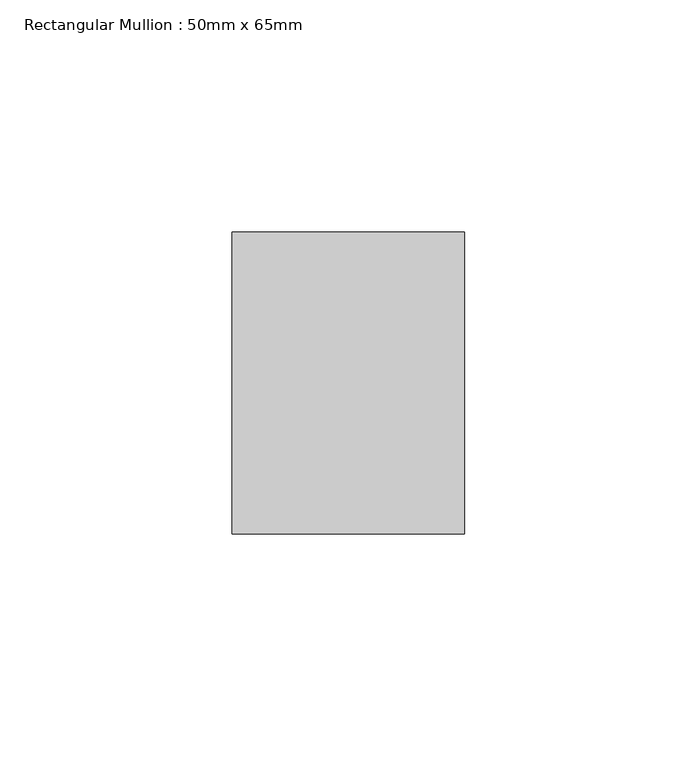
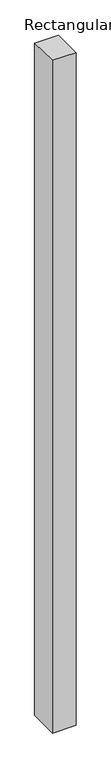
"""IFC4 building model written with IfcOpenShell, lengths in millimetres: member geometry, Rectangular Mullion : 50mm x 65mm."""

from ifc_helpers import new_model, si_unit, origin, place, context, project, spatial, faceted_brep, source, transform, mapped, element, save


def rectangular_mullion_50mm_x_65mm_4cd8343d(model_context):
    return source(origin(), model_context, "Body", "Brep", [
        faceted_brep([(-25.0, 32.5, -0.4966787), (25.0, 32.5, -0.4966777), (25.0, 32.5, -1499.5932658), (-25.0, 32.5, -1499.593265), (-25.0, -32.5, 0.4966777), (-25.0, -32.5, -1500.4079184), (25.0, -32.5, 0.4966787), (25.0, -32.5, -1500.4079192)], [[[0, 1, 2, 3]], [[4, 0, 3, 5]], [[6, 4, 5, 7]], [[1, 6, 7, 2]], [[1, 0, 4, 6]], [[2, 7, 5, 3]]]),
    ])


if __name__ == "__main__":
    model = new_model("IFC4")
    model_context = context("Model", 3, world=origin())
    ifc_project = project(units=[si_unit("LENGTHUNIT", "METRE", prefix="MILLI")], contexts=[model_context])
    site = spatial("IfcSite", under=ifc_project)
    building = spatial("IfcBuilding", under=site)
    placement = place(None, origin())
    rectangular_mullion_50mm_x_65mm_shape = rectangular_mullion_50mm_x_65mm_4cd8343d(model_context)
    element("IfcMember", 1, ObjectType="Rectangular Mullion : 50mm x 65mm", at=placement, inside=building, context=model_context, shape_type="MappedRepresentation", body=[
        mapped(rectangular_mullion_50mm_x_65mm_shape, transform((0.0, 0.0, 0.0), x_axis=(1.0, 0.0, 0.0), y_axis=(0.0, 1.0, 0.0), z_axis=(0.0, 0.0, 1.0))),
    ])
    save(model, "model.ifc")
